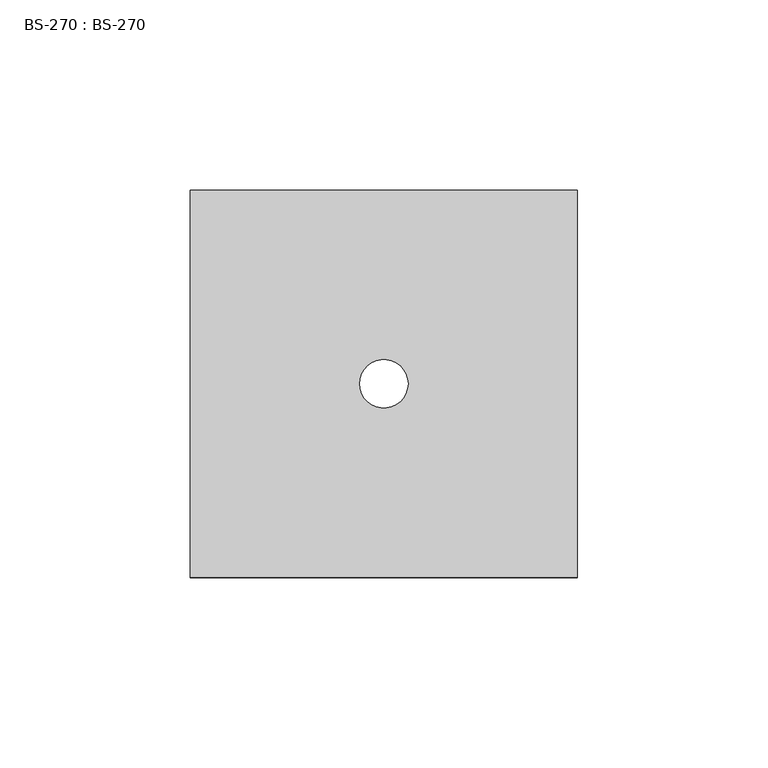
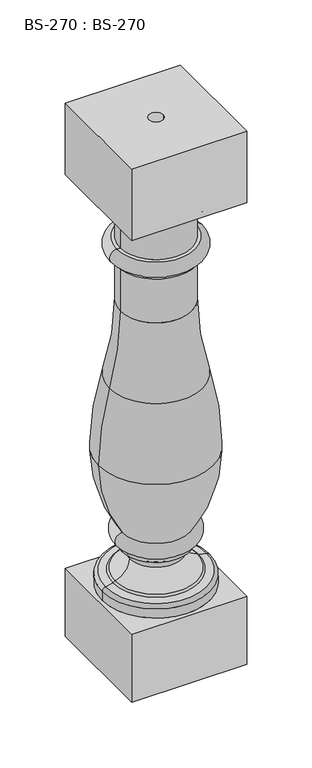
"""IFC4 building model written with IfcOpenShell, lengths in millimetres: proxy geometry, BS-270 : BS-270."""

from ifc_helpers import new_model, si_unit, point, frame, origin, origin_with_axes, place, context, project, spatial, polyline, circle_curve, ellipse_curve, trimmed, source, transform, mapped, element, save
from ifc_brep_helpers import plane_surface, cylinder_surface, revolved_surface, advanced_brep


def bs_270_bs_270_be410edd(model_context):
    return source(origin(), model_context, "Body", "AdvancedBrep", [
        advanced_brep(
        [(50.8, -50.8, 498.475), (50.8, 50.8, 498.475), (-50.8, 50.8, 498.475), (-50.8, -50.8, 498.475), (-6.35, 0.0, 498.475), (6.35, 0.0, 498.475), (50.8, -50.8, 431.8), (-50.8, -50.8, 431.8), (-50.8, 50.8, 431.8), (50.8, 50.8, 431.8), (44.45, 0.0, 431.8), (-44.45, 0.0, 431.8), (-44.9719668, 0.0, 75.0546722), (44.9719668, 0.0, 75.0546722), (47.625, 0.0, 71.9228715), (-47.625, 0.0, 71.9228715), (-38.1, 0.0, 76.2), (38.1, 0.0, 76.2), (-36.5125, 0.0, 77.7875), (36.5125, 0.0, 77.7875), (-23.8125, 0.0, 94.2072439), (23.8125, 0.0, 94.2072439), (-30.1625, 0.0, 103.1875), (30.1625, 0.0, 103.1875), (-30.1625, 0.0, 107.95), (30.1625, 0.0, 107.95), (-29.8612007, 0.0, 120.6428478), (29.8612007, 0.0, 120.6428478), (-50.8, 0.0, 190.5), (50.8, 0.0, 190.5), (-41.275, 0.0, 259.4055468), (41.275, 0.0, 259.4055468), (-31.75, 0.0, 328.3110935), (31.75, 0.0, 328.3110935), (-31.75, 0.0, 371.475), (31.75, 0.0, 371.475), (-34.925, 0.0, 371.475), (34.925, 0.0, 371.475), (-34.925, 0.0, 374.65), (34.925, 0.0, 374.65), (-34.925, 0.0, 387.35), (34.925, 0.0, 387.35), (-31.75, 0.0, 387.35), (31.75, 0.0, 387.35), (-31.75, 0.0, 419.1), (31.75, 0.0, 419.1), (-34.925, 0.0, 419.1), (34.925, 0.0, 419.1), (-34.925, 0.0, 422.275), (34.925, 0.0, 422.275), (47.625, 0.0, 63.5), (-47.625, 0.0, 63.5), (50.8, -50.8, 63.5), (50.8, 50.8, 63.5), (-50.8, 50.8, 63.5), (-50.8, -50.8, 63.5), (50.8, -50.8, 0.0), (-50.8, -50.8, 0.0), (-50.8, 50.8, 0.0), (50.8, 50.8, 0.0), (6.35, 0.0, 0.0), (-6.35, 0.0, 0.0)],
        [
            (0, 1),
            (1, 2),
            (2, 3),
            (3, 0),
            (4, 5, circle_curve(frame((0.0, 0.0, 498.475), z_axis=(0.0, 0.0, -1.0), x_axis=(1.0, 0.0, 0.0)), 6.35)),
            (5, 4, circle_curve(frame((0.0, 0.0, 498.475), z_axis=(0.0, 0.0, -1.0), x_axis=(1.0, 0.0, 0.0)), 6.35)),
            (6, 7),
            (7, 8),
            (8, 9),
            (9, 6),
            (10, 11, circle_curve(frame((0.0, 0.0, 431.8), z_axis=(0.0, 0.0, 1.0), x_axis=(1.0, 0.0, 0.0)), 44.45)),
            (11, 10, circle_curve(frame((0.0, 0.0, 431.8), z_axis=(0.0, 0.0, 1.0), x_axis=(1.0, 0.0, 0.0)), 44.45)),
            (0, 6),
            (9, 1),
            (8, 2),
            (7, 3),
            (12, 13, circle_curve(frame((0.0, 0.0, 75.0546722), z_axis=(0.0, 0.0, -1.0), x_axis=(1.0, 0.0, 0.0)), 44.9719668)),
            (13, 14, circle_curve(frame((44.45, 0.0, 71.9228715), z_axis=(0.0, 1.0, 0.0), x_axis=(0.16439898730461985, 0.0, 0.9863939238322667)), 3.175)),
            (14, 15, circle_curve(frame((0.0, 0.0, 71.9228715), z_axis=(0.0, 0.0, 1.0), x_axis=(1.0, 0.0, 0.0)), 47.625)),
            (15, 12, circle_curve(frame((-44.45, 0.0, 71.9228715), z_axis=(0.0, 1.0, 0.0), x_axis=(-0.1643989873046167, 0.0, 0.9863939238322671)), 3.175)),
            (13, 12, circle_curve(frame((0.0, 0.0, 75.0546722), z_axis=(0.0, 0.0, -1.0), x_axis=(1.0, 0.0, 0.0)), 44.9719668)),
            (15, 14, circle_curve(frame((0.0, 0.0, 71.9228715), z_axis=(0.0, 0.0, 1.0), x_axis=(1.0, 0.0, 0.0)), 47.625)),
            (12, 16),
            (16, 17, circle_curve(frame((0.0, 0.0, 76.2), z_axis=(0.0, 0.0, -1.0), x_axis=(1.0, 0.0, 0.0)), 38.1)),
            (17, 13),
            (17, 16, circle_curve(frame((0.0, 0.0, 76.2), z_axis=(0.0, 0.0, -1.0), x_axis=(1.0, 0.0, 0.0)), 38.1)),
            (16, 18),
            (18, 19, circle_curve(frame((0.0, 0.0, 77.7875), z_axis=(0.0, 0.0, -1.0), x_axis=(1.0, 0.0, 0.0)), 36.5125)),
            (19, 17),
            (19, 18, circle_curve(frame((0.0, 0.0, 77.7875), z_axis=(0.0, 0.0, -1.0), x_axis=(1.0, 0.0, 0.0)), 36.5125)),
            (18, 20, circle_curve(frame((-40.7769878, 0.0, 94.2072439), z_axis=(0.0, -1.0, 0.0), x_axis=(1.0, 0.0, 0.0)), 16.9644878)),
            (20, 21, circle_curve(frame((0.0, 0.0, 94.2072439), z_axis=(0.0, 0.0, -1.0), x_axis=(1.0, 0.0, 0.0)), 23.8125)),
            (21, 19, circle_curve(frame((40.7769878, 0.0, 94.2072439), z_axis=(0.0, -1.0, 0.0), x_axis=(-1.0, 0.0, 0.0)), 16.9644878)),
            (21, 20, circle_curve(frame((0.0, 0.0, 94.2072439), z_axis=(0.0, 0.0, -1.0), x_axis=(1.0, 0.0, 0.0)), 23.8125)),
            (20, 22, circle_curve(frame((-33.3375, 0.0, 94.2072439), z_axis=(0.0, -1.0000000000000002, 0.0), x_axis=(0.33333333333328635, 0.0, 0.94280904158208)), 9.525)),
            (22, 23, circle_curve(frame((0.0, 0.0, 103.1875), z_axis=(0.0, 0.0, -1.0), x_axis=(1.0, 0.0, 0.0)), 30.1625)),
            (23, 21, circle_curve(frame((33.3375, 0.0, 94.2072439), z_axis=(0.0, -1.0000000000000002, 0.0), x_axis=(-0.33333333333328335, 0.0, 0.9428090415820811)), 9.525)),
            (23, 22, circle_curve(frame((0.0, 0.0, 103.1875), z_axis=(0.0, 0.0, -1.0), x_axis=(1.0, 0.0, 0.0)), 30.1625)),
            (22, 24),
            (24, 25, circle_curve(frame((0.0, 0.0, 107.95), z_axis=(0.0, 0.0, -1.0), x_axis=(1.0, 0.0, 0.0)), 30.1625)),
            (25, 23),
            (25, 24, circle_curve(frame((0.0, 0.0, 107.95), z_axis=(0.0, 0.0, -1.0), x_axis=(1.0, 0.0, 0.0)), 30.1625)),
            (24, 26, circle_curve(frame((-30.1625, 0.0, 114.3), z_axis=(0.0, 1.0, 0.0), x_axis=(0.0, 0.0, 1.0)), 6.35)),
            (26, 27, circle_curve(frame((0.0, 0.0, 120.6428478), z_axis=(0.0, 0.0, -1.0), x_axis=(1.0, 0.0, 0.0)), 29.8612007)),
            (27, 25, circle_curve(frame((30.1625, 0.0, 114.3), z_axis=(0.0, 1.0, 0.0), x_axis=(0.0, 0.0, 1.0)), 6.35)),
            (27, 26, circle_curve(frame((0.0, 0.0, 120.6428478), z_axis=(0.0, 0.0, -1.0), x_axis=(1.0, 0.0, 0.0)), 29.8612007)),
            (26, 28, circle_curve(frame((76.2, 0.0, 190.5), z_axis=(0.0, 1.0, 0.0), x_axis=(-1.0, 0.0, 0.0)), 127.0)),
            (28, 29, circle_curve(frame((0.0, 0.0, 190.5), z_axis=(0.0, 0.0, -1.0), x_axis=(1.0, 0.0, 0.0)), 50.8)),
            (29, 27, circle_curve(frame((-76.2, 0.0, 190.5), z_axis=(0.0, 1.0, 0.0), x_axis=(1.0, 0.0, 0.0)), 127.0)),
            (29, 28, circle_curve(frame((0.0, 0.0, 190.5), z_axis=(0.0, 0.0, -1.0), x_axis=(1.0, 0.0, 0.0)), 50.8)),
            (28, 30, circle_curve(frame((203.2, 0.0, 190.5), z_axis=(0.0, 1.0, 0.0), x_axis=(-0.9624999999999782, 0.0, 0.27128168017771126)), 254.0)),
            (30, 31, circle_curve(frame((0.0, 0.0, 259.4055468), z_axis=(0.0, 0.0, -1.0), x_axis=(1.0, 0.0, 0.0)), 41.275)),
            (31, 29, circle_curve(frame((-203.2, 0.0, 190.5), z_axis=(0.0, 1.0, 0.0), x_axis=(0.962499999999979, 0.0, 0.27128168017770815)), 254.0)),
            (31, 30, circle_curve(frame((0.0, 0.0, 259.4055468), z_axis=(0.0, 0.0, -1.0), x_axis=(1.0, 0.0, 0.0)), 41.275)),
            (30, 32, circle_curve(frame((-285.75, 0.0, 328.3110935), z_axis=(0.0, -1.0, 0.0), x_axis=(1.0, 0.0, 0.0)), 254.0)),
            (32, 33, circle_curve(frame((0.0, 0.0, 328.3110935), z_axis=(0.0, 0.0, -1.0), x_axis=(1.0, 0.0, 0.0)), 31.75)),
            (33, 31, circle_curve(frame((285.75, 0.0, 328.3110935), z_axis=(0.0, -1.0, 0.0), x_axis=(-1.0, 0.0, 0.0)), 254.0)),
            (33, 32, circle_curve(frame((0.0, 0.0, 328.3110935), z_axis=(0.0, 0.0, -1.0), x_axis=(1.0, 0.0, 0.0)), 31.75)),
            (32, 34),
            (34, 35, circle_curve(frame((0.0, 0.0, 371.475), z_axis=(0.0, 0.0, -1.0), x_axis=(1.0, 0.0, 0.0)), 31.75)),
            (35, 33),
            (35, 34, circle_curve(frame((0.0, 0.0, 371.475), z_axis=(0.0, 0.0, -1.0), x_axis=(1.0, 0.0, 0.0)), 31.75)),
            (34, 36),
            (36, 37, circle_curve(frame((0.0, 0.0, 371.475), z_axis=(0.0, 0.0, -1.0), x_axis=(1.0, 0.0, 0.0)), 34.925)),
            (37, 35),
            (37, 36, circle_curve(frame((0.0, 0.0, 371.475), z_axis=(0.0, 0.0, -1.0), x_axis=(1.0, 0.0, 0.0)), 34.925)),
            (36, 38),
            (38, 39, circle_curve(frame((0.0, 0.0, 374.65), z_axis=(0.0, 0.0, -1.0), x_axis=(1.0, 0.0, 0.0)), 34.925)),
            (39, 37),
            (39, 38, circle_curve(frame((0.0, 0.0, 374.65), z_axis=(0.0, 0.0, -1.0), x_axis=(1.0, 0.0, 0.0)), 34.925)),
            (38, 40, circle_curve(frame((-34.925, 0.0, 381.0), z_axis=(0.0, 1.0, 0.0), x_axis=(0.0, 0.0, -1.0)), 6.35)),
            (40, 41, circle_curve(frame((0.0, 0.0, 387.35), z_axis=(0.0, 0.0, -1.0), x_axis=(1.0, 0.0, 0.0)), 34.925)),
            (41, 39, circle_curve(frame((34.925, 0.0, 381.0), z_axis=(0.0, 1.0, 0.0), x_axis=(0.0, 0.0, -1.0)), 6.35)),
            (41, 40, circle_curve(frame((0.0, 0.0, 387.35), z_axis=(0.0, 0.0, -1.0), x_axis=(1.0, 0.0, 0.0)), 34.925)),
            (40, 42),
            (42, 43, circle_curve(frame((0.0, 0.0, 387.35), z_axis=(0.0, 0.0, -1.0), x_axis=(1.0, 0.0, 0.0)), 31.75)),
            (43, 41),
            (43, 42, circle_curve(frame((0.0, 0.0, 387.35), z_axis=(0.0, 0.0, -1.0), x_axis=(1.0, 0.0, 0.0)), 31.75)),
            (42, 44),
            (44, 45, circle_curve(frame((0.0, 0.0, 419.1), z_axis=(0.0, 0.0, -1.0), x_axis=(1.0, 0.0, 0.0)), 31.75)),
            (45, 43),
            (45, 44, circle_curve(frame((0.0, 0.0, 419.1), z_axis=(0.0, 0.0, -1.0), x_axis=(1.0, 0.0, 0.0)), 31.75)),
            (44, 46),
            (46, 47, circle_curve(frame((0.0, 0.0, 419.1), z_axis=(0.0, 0.0, -1.0), x_axis=(1.0, 0.0, 0.0)), 34.925)),
            (47, 45),
            (47, 46, circle_curve(frame((0.0, 0.0, 419.1), z_axis=(0.0, 0.0, -1.0), x_axis=(1.0, 0.0, 0.0)), 34.925)),
            (46, 48),
            (48, 49, circle_curve(frame((0.0, 0.0, 422.275), z_axis=(0.0, 0.0, -1.0), x_axis=(1.0, 0.0, 0.0)), 34.925)),
            (49, 47),
            (49, 48, circle_curve(frame((0.0, 0.0, 422.275), z_axis=(0.0, 0.0, -1.0), x_axis=(1.0, 0.0, 0.0)), 34.925)),
            (48, 11, circle_curve(frame((-34.925, 0.0, 431.8), z_axis=(0.0, 1.0, 0.0), x_axis=(0.0, 0.0, -1.0)), 9.525)),
            (10, 49, circle_curve(frame((34.925, 0.0, 431.8), z_axis=(0.0, 1.0, 0.0), x_axis=(0.0, 0.0, -1.0)), 9.525)),
            (14, 50),
            (50, 51, circle_curve(frame((0.0, 0.0, 63.5), z_axis=(0.0, 0.0, 1.0), x_axis=(1.0, 0.0, 0.0)), 47.625)),
            (51, 15),
            (51, 50, circle_curve(frame((0.0, 0.0, 63.5), z_axis=(0.0, 0.0, 1.0), x_axis=(1.0, 0.0, 0.0)), 47.625)),
            (52, 53),
            (53, 54),
            (54, 55),
            (55, 52),
            (56, 57),
            (57, 58),
            (58, 59),
            (59, 56),
            (60, 61, circle_curve(origin_with_axes(), 6.35)),
            (61, 60, circle_curve(origin_with_axes(), 6.35)),
            (52, 56),
            (59, 53),
            (58, 54),
            (57, 55),
            (60, 5),
            (4, 61),
        ],
        [
            plane_surface(frame((50.8, -107.95, 498.475), z_axis=(0.0, 0.0, 1.0), x_axis=(0.0, 1.0, 0.0))),
            plane_surface(frame((50.8, -107.95, 431.8), z_axis=(0.0, 0.0, -1.0), x_axis=(0.0, -1.0, 0.0))),
            plane_surface(frame((50.8, -50.8, 498.475), z_axis=(1.0, 0.0, 0.0), x_axis=(0.0, 0.0, -1.0))),
            plane_surface(frame((50.8, 50.8, 498.475), z_axis=(0.0, 1.0, 0.0), x_axis=(0.0, 0.0, -1.0))),
            plane_surface(frame((-50.8, 50.8, 498.475), z_axis=(-1.0, 0.0, 0.0), x_axis=(0.0, 0.0, -1.0))),
            plane_surface(frame((-50.8, -50.8, 498.475), z_axis=(0.0, -1.0, 0.0), x_axis=(0.0, 0.0, -1.0))),
            revolved_surface(trimmed(ellipse_curve(frame((44.45, 0.0, 71.9228715), z_axis=(0.0, -1.0, 0.0), x_axis=(0.16439898730461985, 0.0, 0.9863939238322667)), 3.175, 3.175), [point((47.625, 0.0, 71.9228715))], [point((44.9719668, 0.0, 75.0546722))], True, "CARTESIAN"), (0.0, 0.0, 476.25), (0.0, 0.0, 1.0)),
            revolved_surface(polyline([(44.9719668, 0.0, 75.0546722), (38.1, 0.0, 76.2)]), (0.0, 0.0, 476.25), (0.0, 0.0, 1.0)),
            revolved_surface(polyline([(38.1, 0.0, 76.2), (36.5125, 0.0, 77.7875)]), (0.0, 0.0, 476.25), (0.0, 0.0, 1.0)),
            revolved_surface(trimmed(ellipse_curve(frame((40.7769878, 0.0, 94.2072439), z_axis=(0.0, 1.0, 0.0), x_axis=(-1.0, 0.0, 0.0)), 16.9644878, 16.9644878), [point((36.5125, 0.0, 77.7875))], [point((23.8125, 0.0, 94.2072439))], True, "CARTESIAN"), (0.0, 0.0, 476.25), (0.0, 0.0, 1.0)),
            revolved_surface(trimmed(ellipse_curve(frame((33.3375, 0.0, 94.2072439), z_axis=(0.0, 1.0000000000000002, 0.0), x_axis=(-0.33333333333328335, 0.0, 0.9428090415820811)), 9.525, 9.525), [point((23.8125, 0.0, 94.2072439))], [point((30.1625, 0.0, 103.1875))], True, "CARTESIAN"), (0.0, 0.0, 476.25), (0.0, 0.0, 1.0)),
            cylinder_surface(frame((0.0, 0.0, 476.25), z_axis=(0.0, 0.0, 1.0), x_axis=(1.0, 0.0, 0.0)), 30.1625),
            revolved_surface(trimmed(ellipse_curve(frame((30.1625, 0.0, 114.3), z_axis=(0.0, -1.0, 0.0), x_axis=(0.0, 0.0, 1.0)), 6.35, 6.35), [point((30.1625, 0.0, 107.95))], [point((29.8612007, 0.0, 120.6428478))], True, "CARTESIAN"), (0.0, 0.0, 476.25), (0.0, 0.0, 1.0)),
            revolved_surface(trimmed(ellipse_curve(frame((-76.2, 0.0, 190.5), z_axis=(0.0, -1.0, 0.0), x_axis=(1.0, 0.0, 0.0)), 127.0, 127.0), [point((29.8612007, 0.0, 120.6428478))], [point((50.8, 0.0, 190.5))], True, "CARTESIAN"), (0.0, 0.0, 476.25), (0.0, 0.0, 1.0)),
            revolved_surface(trimmed(ellipse_curve(frame((-203.2, 0.0, 190.5), z_axis=(0.0, -1.0, 0.0), x_axis=(0.962499999999979, 0.0, 0.27128168017770815)), 254.0, 254.0), [point((50.8, 0.0, 190.5))], [point((41.275, 0.0, 259.4055468))], True, "CARTESIAN"), (0.0, 0.0, 476.25), (0.0, 0.0, 1.0)),
            revolved_surface(trimmed(ellipse_curve(frame((285.75, 0.0, 328.3110935), z_axis=(0.0, 1.0, 0.0), x_axis=(-1.0, 0.0, 0.0)), 254.0, 254.0), [point((41.275, 0.0, 259.4055468))], [point((31.75, 0.0, 328.3110935))], True, "CARTESIAN"), (0.0, 0.0, 476.25), (0.0, 0.0, 1.0)),
            cylinder_surface(frame((0.0, 0.0, 476.25), z_axis=(0.0, 0.0, 1.0), x_axis=(1.0, 0.0, 0.0)), 31.75),
            plane_surface(frame((0.0, 0.0, 371.475), z_axis=(0.0, 0.0, -1.0), x_axis=(1.0, 0.0, 0.0))),
            cylinder_surface(frame((0.0, 0.0, 476.25), z_axis=(0.0, 0.0, 1.0), x_axis=(1.0, 0.0, 0.0)), 34.925),
            revolved_surface(trimmed(ellipse_curve(frame((34.925, 0.0, 381.0), z_axis=(0.0, -1.0, 0.0), x_axis=(0.0, 0.0, -1.0)), 6.35, 6.35), [point((34.925, 0.0, 374.65))], [point((34.925, 0.0, 387.35))], True, "CARTESIAN"), (0.0, 0.0, 476.25), (0.0, 0.0, 1.0)),
            plane_surface(frame((0.0, 0.0, 387.35), z_axis=(0.0, 0.0, 1.0), x_axis=(1.0, 0.0, 0.0))),
            plane_surface(frame((0.0, 0.0, 419.1), z_axis=(0.0, 0.0, -1.0), x_axis=(1.0, 0.0, 0.0))),
            revolved_surface(trimmed(ellipse_curve(frame((34.925, 0.0, 431.8), z_axis=(0.0, -1.0, 0.0), x_axis=(0.0, 0.0, -1.0)), 9.525, 9.525), [point((34.925, 0.0, 422.275))], [point((44.45, 0.0, 431.8))], True, "CARTESIAN"), (0.0, 0.0, 476.25), (0.0, 0.0, 1.0)),
            cylinder_surface(frame((0.0, 0.0, 476.25), z_axis=(0.0, 0.0, 1.0), x_axis=(1.0, 0.0, 0.0)), 47.625),
            plane_surface(frame((50.8, -107.95, 63.5), z_axis=(0.0, 0.0, 1.0), x_axis=(0.0, 1.0, 0.0))),
            plane_surface(frame((50.8, -107.95, 0.0), z_axis=(0.0, 0.0, -1.0), x_axis=(0.0, -1.0, 0.0))),
            plane_surface(frame((50.8, -50.8, 63.5), z_axis=(1.0, 0.0, 0.0), x_axis=(0.0, 0.0, -1.0))),
            plane_surface(frame((50.8, 50.8, 63.5), z_axis=(0.0, 1.0, 0.0), x_axis=(0.0, 0.0, -1.0))),
            plane_surface(frame((-50.8, 50.8, 63.5), z_axis=(-1.0, 0.0, 0.0), x_axis=(0.0, 0.0, -1.0))),
            plane_surface(frame((-50.8, -50.8, 63.5), z_axis=(0.0, -1.0, 0.0), x_axis=(0.0, 0.0, -1.0))),
            revolved_surface(polyline([(6.35, 0.0, 0.0), (6.35, 0.0, 498.475)]), (0.0, 0.0, 498.475), (0.0, 0.0, -1.0)),
        ],
        [
            (0, [[1, 2, 3, 4], [5, 6]]),
            (1, [[7, 8, 9, 10], [11, 12]]),
            (2, [[-1, 13, -10, 14]]),
            (3, [[-2, -14, -9, 15]]),
            (4, [[-3, -15, -8, 16]]),
            (5, [[-4, -16, -7, -13]]),
            (6, [[17, 18, 19, 20]]),
            (6, [[-18, 21, -20, 22]]),
            (7, [[-17, 23, 24, 25]]),
            (7, [[-21, -25, 26, -23]]),
            (8, [[-24, 27, 28, 29]]),
            (8, [[-26, -29, 30, -27]]),
            (9, [[-28, 31, 32, 33]]),
            (9, [[-30, -33, 34, -31]]),
            (10, [[-32, 35, 36, 37]]),
            (10, [[-34, -37, 38, -35]]),
            (11, [[-36, 39, 40, 41]]),
            (11, [[-38, -41, 42, -39]]),
            (12, [[-40, 43, 44, 45]]),
            (12, [[-42, -45, 46, -43]]),
            (13, [[-44, 47, 48, 49]]),
            (13, [[-46, -49, 50, -47]]),
            (14, [[-48, 51, 52, 53]]),
            (14, [[-50, -53, 54, -51]]),
            (15, [[-52, 55, 56, 57]]),
            (15, [[-54, -57, 58, -55]]),
            (16, [[-56, 59, 60, 61]]),
            (16, [[-58, -61, 62, -59]]),
            (17, [[-60, 63, 64, 65]]),
            (17, [[-62, -65, 66, -63]]),
            (18, [[-64, 67, 68, 69]]),
            (18, [[-66, -69, 70, -67]]),
            (19, [[-68, 71, 72, 73]]),
            (19, [[-70, -73, 74, -71]]),
            (20, [[-72, 75, 76, 77]]),
            (20, [[-74, -77, 78, -75]]),
            (16, [[-76, 79, 80, 81]]),
            (16, [[-78, -81, 82, -79]]),
            (21, [[-80, 83, 84, 85]]),
            (21, [[-82, -85, 86, -83]]),
            (18, [[-84, 87, 88, 89]]),
            (18, [[-86, -89, 90, -87]]),
            (22, [[-88, 91, -11, 92]]),
            (22, [[-90, -92, -12, -91]]),
            (23, [[-19, 93, 94, 95]]),
            (23, [[-22, -95, 96, -93]]),
            (24, [[97, 98, 99, 100], [-94, -96]]),
            (25, [[101, 102, 103, 104], [105, 106]]),
            (26, [[-97, 107, -104, 108]]),
            (27, [[-98, -108, -103, 109]]),
            (28, [[-99, -109, -102, 110]]),
            (29, [[-100, -110, -101, -107]]),
            (30, [[111, -5, 112, -105]]),
            (30, [[-111, -106, -112, -6]]),
        ],
    ),
    ])


if __name__ == "__main__":
    model = new_model("IFC4")
    model_context = context("Model", 3, world=origin())
    ifc_project = project(units=[si_unit("LENGTHUNIT", "METRE", prefix="MILLI")], contexts=[model_context])
    site = spatial("IfcSite", under=ifc_project)
    building = spatial("IfcBuilding", under=site)
    placement = place(None, origin())
    bs_270_bs_270_shape = bs_270_bs_270_be410edd(model_context)
    element("IfcBuildingElementProxy", 1, Name="BS-270 : BS-270", ObjectType="BS-270 : BS-270", at=placement, inside=building, context=model_context, shape_type="MappedRepresentation", body=[
        mapped(bs_270_bs_270_shape, transform((0.0, 0.0, 0.0), x_axis=(1.0, 0.0, 0.0), y_axis=(0.0, 1.0, 0.0), z_axis=(0.0, 0.0, 1.0))),
    ])
    save(model, "model.ifc")
